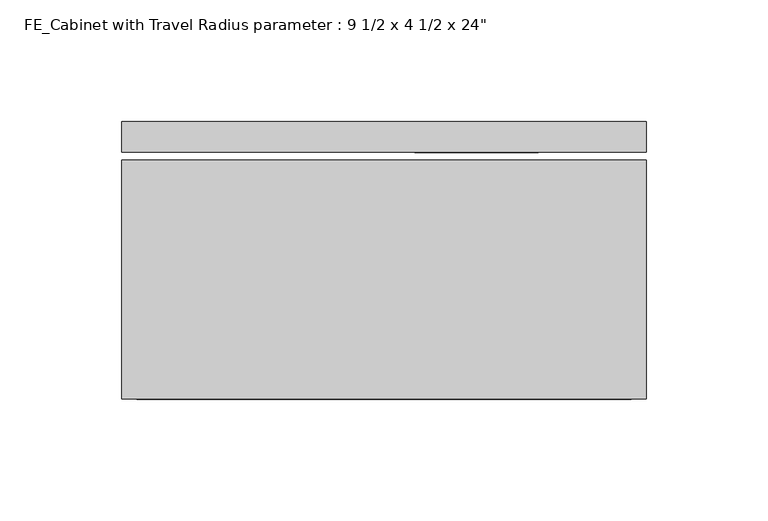
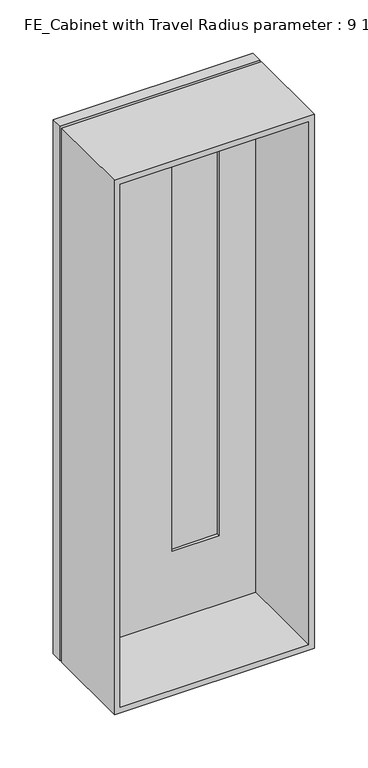
"""IFC4 building model written with IfcOpenShell, lengths in millimetres: proxy geometry."""

from ifc_helpers import new_model, si_unit, frame, origin, place, context, project, spatial, polyline, outline, extrude, source, transform, mapped, element, save


def proxy_a19e02c1(model_context):
    return source(origin(), model_context, "Body", "SweptSolid", [
        extrude(outline(polyline([(1524.0, -204.8984337), (914.4, -204.8984337), (914.4, 11.0015663), (1524.0, 11.0015663), (1524.0, -204.8984337)]), holes=[polyline([(1517.65, -198.5484337), (1517.65, 4.6515663), (920.75, 4.6515663), (920.75, -198.5484337), (1517.65, -198.5484337)])]), frame((0.0, 152.4, 0.0), z_axis=(0.0, 1.0, 0.0), x_axis=(0.0, 0.0, 1.0)), (0.0, 0.0, 1.0), 98.425),
        extrude(outline(polyline([(-84.2484337, 263.525), (-33.4484337, 263.525), (-33.4484337, 257.175), (-84.2484337, 257.175), (-84.2484337, 263.525)])), frame((0.0, 0.0, 996.95), z_axis=(0.0, 0.0, 1.0), x_axis=(1.0, 0.0, 0.0)), (0.0, 0.0, 1.0), 444.5),
        extrude(outline(polyline([(1524.0, -204.8984337), (914.4, -204.8984337), (914.4, 11.0015663), (1524.0, 11.0015663), (1524.0, -204.8984337)]), holes=[polyline([(1441.45, -84.2484337), (1441.45, -33.4484337), (996.95, -33.4484337), (996.95, -84.2484337), (1441.45, -84.2484337)])]), frame((0.0, 254.0, 0.0), z_axis=(0.0, 1.0, 0.0), x_axis=(0.0, 0.0, 1.0)), (0.0, 0.0, 1.0), 12.7),
    ])


if __name__ == "__main__":
    model = new_model("IFC4")
    model_context = context("Model", 3, world=origin())
    ifc_project = project(units=[si_unit("LENGTHUNIT", "METRE", prefix="MILLI")], contexts=[model_context])
    site = spatial("IfcSite", under=ifc_project)
    building = spatial("IfcBuilding", under=site)
    placement = place(None, origin())
    proxy_shape = proxy_a19e02c1(model_context)
    element("IfcBuildingElementProxy", 1, Name="FE_Cabinet with Travel Radius parameter : 9 1/2 x 4 1/2 x 24\"", ObjectType="FE_Cabinet with Travel Radius parameter : 9 1/2 x 4 1/2 x 24\"", at=placement, inside=building, context=model_context, shape_type="MappedRepresentation", body=[
        mapped(proxy_shape, transform((0.0, 0.0, 0.0), x_axis=(1.0, 0.0, 0.0), y_axis=(0.0, 1.0, 0.0), z_axis=(0.0, 0.0, 1.0))),
    ])
    save(model, "model.ifc")
